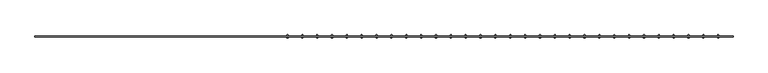
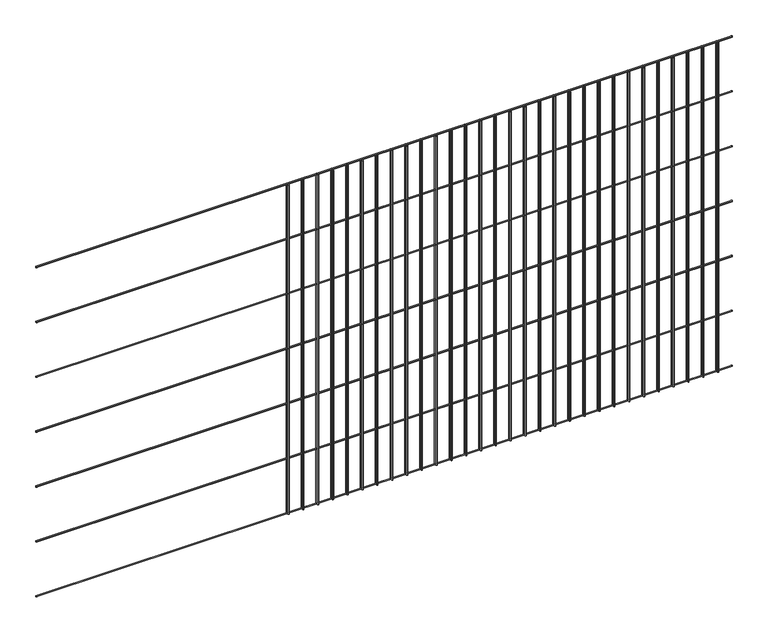
"""IFC4 building model written with IfcOpenShell, lengths in millimetres: railing geometry."""

import ifcopenshell
import ifcopenshell.guid

model = None  # the IFC model being written
_history = None  # IfcOwnerHistory: only IFC2X3 demands one
_inside = {}  # id of a spatial element -> (the spatial element, [elements in it])
_under = {}  # id of a project, library or spatial element -> (it, [spatial elements below it])
_declared = {}  # id of a project -> (the project, [libraries it declares])
_typed = {}  # id of a type object -> (the type object, [elements of that type])
_made_of = {}  # id of a material, layer set ... -> (it, [elements and type objects made of it])


def new_model(schema):
    """Start an empty IFC model of exactly this schema.

    Asked for "IFC4X3", IfcOpenShell would pick the latest addendum, in which some entities
    have other attributes; the version numbers below select the first issue.
    IFC2X3 requires an IfcOwnerHistory on every rooted entity: one is made here for all.
    """
    global model, _history
    if schema == "IFC4X3":
        model = ifcopenshell.file(schema_version=(4, 3, 0, 0))
    else:
        model = ifcopenshell.file(schema=schema)
    _inside.clear()
    _under.clear()
    _declared.clear()
    _typed.clear()
    _made_of.clear()
    _history = None
    if model.schema == "IFC2X3":
        org = make("IfcOrganization", Name="unknown")
        user = make(
            "IfcPersonAndOrganization",
            ThePerson=make("IfcPerson", FamilyName="unknown"),
            TheOrganization=org,
        )
        app = make(
            "IfcApplication",
            ApplicationDeveloper=org,
            Version="unknown",
            ApplicationFullName="unknown",
            ApplicationIdentifier="unknown",
        )
        _history = make(
            "IfcOwnerHistory",
            OwningUser=user,
            OwningApplication=app,
            ChangeAction="ADDED",
            CreationDate=0,
        )
    return model


def make(cls, **values):
    """One entity of the class cls with the attributes given. An attribute that is None is left unset."""
    return model.create_entity(
        cls, **{name: value for name, value in values.items() if value is not None}
    )


def rooted(cls, **values):
    """An entity with a GlobalId (a new one), such as an element, a storey or a relation."""
    return make(cls, GlobalId=ifcopenshell.guid.new(), OwnerHistory=_history, **values)


def si_unit(unit_type, name, prefix=None):
    """IfcSIUnit, for example si_unit("LENGTHUNIT", "METRE", prefix="MILLI")."""
    return make("IfcSIUnit", UnitType=unit_type, Prefix=prefix, Name=name)


def assignment(units):
    """IfcUnitAssignment: the units of a project."""
    return None if units is None else make("IfcUnitAssignment", Units=units)


def point(xyz):
    """IfcCartesianPoint."""
    return None if xyz is None else make("IfcCartesianPoint", Coordinates=xyz)


def direction(xyz):
    """IfcDirection."""
    return None if xyz is None else make("IfcDirection", DirectionRatios=xyz)


def frame(location, z_axis=None, x_axis=None):
    """IfcAxis2Placement3D, a coordinate frame: its origin and axes. An axis left out is left unset."""
    return make(
        "IfcAxis2Placement3D",
        Location=point(location),
        Axis=direction(z_axis),
        RefDirection=direction(x_axis),
    )


def frame_2d(location, x_axis=None):
    """IfcAxis2Placement2D, a coordinate frame in the plane: its origin and x axis."""
    return make(
        "IfcAxis2Placement2D", Location=point(location), RefDirection=direction(x_axis)
    )


def origin():
    """The frame at (0, 0, 0) with its axes left unset."""
    return frame((0.0, 0.0, 0.0))


def place(relative_to, where):
    """IfcLocalPlacement: puts the frame where relative to a parent placement (None: the world)."""
    return make(
        "IfcLocalPlacement", PlacementRelTo=relative_to, RelativePlacement=where
    )


def context(
    kind, dimensions, precision=None, world=None, true_north=None, identifier=None
):
    """IfcGeometricRepresentationContext, for example the 3D "Model" context."""
    return make(
        "IfcGeometricRepresentationContext",
        ContextIdentifier=identifier,
        ContextType=kind,
        CoordinateSpaceDimension=dimensions,
        Precision=precision,
        WorldCoordinateSystem=world,
        TrueNorth=true_north,
    )


def project(units=None, contexts=None):
    """IfcProject with its units and contexts."""
    return rooted(
        "IfcProject",
        Name="project",
        RepresentationContexts=contexts,
        UnitsInContext=assignment(units),
    )


def spatial(cls, under=None, at=None, **own):
    """A site, building, storey or space (cls), placed at a placement, below another one or the project."""
    s = rooted(cls, ObjectPlacement=at, **own)
    if under is not None:
        _under.setdefault(under.id(), (under, []))[1].append(s)
    return s


def circle_curve(where, radius):
    """IfcCircle in the frame where."""
    return make("IfcCircle", Position=where, Radius=radius)


def trimmed(basis, trim1, trim2, sense, master):
    """IfcTrimmedCurve: the piece of a basis curve between two trims."""
    return make(
        "IfcTrimmedCurve",
        BasisCurve=basis,
        Trim1=trim1,
        Trim2=trim2,
        SenseAgreement=sense,
        MasterRepresentation=master,
    )


def segment(curve, same_sense, transition):
    """IfcCompositeCurveSegment."""
    return make(
        "IfcCompositeCurveSegment",
        Transition=transition,
        SameSense=same_sense,
        ParentCurve=curve,
    )


def composite_curve(segments, self_intersect=None):
    """IfcCompositeCurve: segments joined end to end."""
    return make("IfcCompositeCurve", Segments=segments, SelfIntersect=self_intersect)


def outline(outer, holes=None, kind="AREA"):
    """IfcArbitraryClosedProfileDef: a profile drawn as a closed curve; with holes, ...WithVoids."""
    if holes is None:
        return make("IfcArbitraryClosedProfileDef", ProfileType=kind, OuterCurve=outer)
    return make(
        "IfcArbitraryProfileDefWithVoids",
        ProfileType=kind,
        OuterCurve=outer,
        InnerCurves=holes,
    )


def extrude(swept, where, along, depth):
    """IfcExtrudedAreaSolid: the profile swept, set in the frame where, extruded along a direction by depth."""
    return make(
        "IfcExtrudedAreaSolid",
        SweptArea=swept,
        Position=where,
        ExtrudedDirection=direction(along),
        Depth=depth,
    )


def shape(context_of_items, identifier, shape_type, items):
    """IfcShapeRepresentation: the items that make up one representation, for example the "Body"."""
    return make(
        "IfcShapeRepresentation",
        ContextOfItems=context_of_items,
        RepresentationIdentifier=identifier,
        RepresentationType=shape_type,
        Items=items,
    )


def source(mapping_origin, context_of_items, identifier, shape_type, items):
    """IfcRepresentationMap: a shape defined once, which mapped items show again and again."""
    return make(
        "IfcRepresentationMap",
        MappingOrigin=mapping_origin,
        MappedRepresentation=shape(context_of_items, identifier, shape_type, items),
    )


def transform(
    local_origin,
    x_axis=None,
    y_axis=None,
    z_axis=None,
    scale=None,
    scale2=None,
    scale3=None,
    uniform=True,
):
    """IfcCartesianTransformationOperator3D, or its non-uniform kind. x_axis, y_axis, z_axis: its Axis1, 2, 3."""
    if uniform:
        return make(
            "IfcCartesianTransformationOperator3D",
            Axis1=direction(x_axis),
            Axis2=direction(y_axis),
            LocalOrigin=point(local_origin),
            Scale=scale,
            Axis3=direction(z_axis),
        )
    return make(
        "IfcCartesianTransformationOperator3DnonUniform",
        Axis1=direction(x_axis),
        Axis2=direction(y_axis),
        LocalOrigin=point(local_origin),
        Scale=scale,
        Axis3=direction(z_axis),
        Scale2=scale2,
        Scale3=scale3,
    )


def mapped(mapping_source, mapping_target):
    """IfcMappedItem: shows the shape of a source again, moved by a transform."""
    return make(
        "IfcMappedItem", MappingSource=mapping_source, MappingTarget=mapping_target
    )


def made_of(thing, what):
    """Note that an element or type object is made of a material, layer set ...; save() writes the relation."""
    if what is not None:
        _made_of.setdefault(what.id(), (what, []))[1].append(thing)
    return thing


def element(
    cls,
    number,
    at=None,
    inside=None,
    cuts=None,
    type_object=None,
    material=None,
    context=None,
    identifier="Body",
    shape_type=None,
    held_by="IfcProductDefinitionShape",
    body=None,
    shapes=None,
    **own,
):
    """One element of the class cls, such as IfcWall. Its Tag is "e" and its number.

    at: its placement. inside: the storey or other place that contains it. cuts: it is an
    opening in that element (IfcRelVoidsElement). A single representation is given by context,
    identifier, shape_type and body (its items); several are given by shapes. held_by: the class
    of the entity that holds the representations. save() writes the other relations.
    """
    e = rooted(cls, Tag="e%d" % number, ObjectPlacement=at, **own)
    if body is not None:
        shapes = [shape(context, identifier, shape_type, body)]
    if shapes is not None:
        e.Representation = make(held_by, Representations=shapes)
    if inside is not None:
        _inside.setdefault(inside.id(), (inside, []))[1].append(e)
    if cuts is not None:
        rooted(
            "IfcRelVoidsElement", RelatingBuildingElement=cuts, RelatedOpeningElement=e
        )
    if type_object is not None:
        _typed.setdefault(type_object.id(), (type_object, []))[1].append(e)
    return made_of(e, material)


def aggregate(whole, parts):
    """IfcRelAggregates: a whole, such as a stair, and the parts it consists of."""
    return rooted("IfcRelAggregates", RelatingObject=whole, RelatedObjects=parts)


def save(model, path):
    """Write the relations noted so far, then the file.

    IfcRelAggregates (storeys below a building ...), IfcRelContainedInSpatialStructure (elements
    in a storey), IfcRelDefinesByType, IfcRelAssociatesMaterial and IfcRelDeclares: one each for
    every whole, place, type object, material and project.
    """
    for whole, parts in _under.values():
        aggregate(whole, parts)
    for where, things in _inside.values():
        rooted(
            "IfcRelContainedInSpatialStructure",
            RelatedElements=things,
            RelatingStructure=where,
        )
    for kind, things in _typed.values():
        rooted("IfcRelDefinesByType", RelatedObjects=things, RelatingType=kind)
    for what, things in _made_of.values():
        rooted("IfcRelAssociatesMaterial", RelatedObjects=things, RelatingMaterial=what)
    for by, libraries in _declared.values():
        rooted("IfcRelDeclares", RelatingContext=by, RelatedDefinitions=libraries)
    model.write(path)


def railing_5c5979b3(model_context):
    return source(origin(), model_context, "Body", "SweptSolid", [
        extrude(outline(composite_curve([segment(trimmed(circle_curve(frame_2d((639.6639637, 8841.2835937)), 2.0574), [point((641.7213637, 8841.2835937))], [point((637.6065637, 8841.2835937))], False, "CARTESIAN"), True, "CONTINUOUS"), segment(trimmed(circle_curve(frame_2d((639.6639637, 8841.2835937)), 2.0574), [point((637.6065637, 8841.2835937))], [point((641.7213637, 8841.2835937))], False, "CARTESIAN"), True, "CONTINUOUS")], self_intersect=False)), frame((-11285.4581376, 0.0, 0.0), z_axis=(1.0, 0.0, 0.0), x_axis=(0.0, 1.0, 0.0)), (0.0, 0.0, 1.0), 2438.4),
        extrude(outline(composite_curve([segment(trimmed(circle_curve(frame_2d((639.6639637, 8638.0835937)), 2.0574), [point((641.7213637, 8638.0835937))], [point((637.6065637, 8638.0835937))], False, "CARTESIAN"), True, "CONTINUOUS"), segment(trimmed(circle_curve(frame_2d((639.6639637, 8638.0835937)), 2.0574), [point((637.6065637, 8638.0835937))], [point((641.7213637, 8638.0835937))], False, "CARTESIAN"), True, "CONTINUOUS")], self_intersect=False)), frame((-11285.4581376, 0.0, 0.0), z_axis=(1.0, 0.0, 0.0), x_axis=(0.0, 1.0, 0.0)), (0.0, 0.0, 1.0), 2438.4),
        extrude(outline(composite_curve([segment(trimmed(circle_curve(frame_2d((639.6639637, 8434.8835937)), 2.0574), [point((641.7213637, 8434.8835937))], [point((637.6065637, 8434.8835937))], False, "CARTESIAN"), True, "CONTINUOUS"), segment(trimmed(circle_curve(frame_2d((639.6639637, 8434.8835937)), 2.0574), [point((637.6065637, 8434.8835937))], [point((641.7213637, 8434.8835937))], False, "CARTESIAN"), True, "CONTINUOUS")], self_intersect=False)), frame((-11285.4581376, 0.0, 0.0), z_axis=(1.0, 0.0, 0.0), x_axis=(0.0, 1.0, 0.0)), (0.0, 0.0, 1.0), 2438.4),
        extrude(outline(composite_curve([segment(trimmed(circle_curve(frame_2d((639.6639637, 8231.6835937)), 2.0574), [point((641.7213637, 8231.6835937))], [point((637.6065637, 8231.6835937))], False, "CARTESIAN"), True, "CONTINUOUS"), segment(trimmed(circle_curve(frame_2d((639.6639637, 8231.6835937)), 2.0574), [point((637.6065637, 8231.6835937))], [point((641.7213637, 8231.6835937))], False, "CARTESIAN"), True, "CONTINUOUS")], self_intersect=False)), frame((-11285.4581376, 0.0, 0.0), z_axis=(1.0, 0.0, 0.0), x_axis=(0.0, 1.0, 0.0)), (0.0, 0.0, 1.0), 2438.4),
        extrude(outline(composite_curve([segment(trimmed(circle_curve(frame_2d((639.6639637, 8028.4835937)), 2.0574), [point((641.7213637, 8028.4835937))], [point((637.6065637, 8028.4835937))], False, "CARTESIAN"), True, "CONTINUOUS"), segment(trimmed(circle_curve(frame_2d((639.6639637, 8028.4835937)), 2.0574), [point((637.6065637, 8028.4835937))], [point((641.7213637, 8028.4835937))], False, "CARTESIAN"), True, "CONTINUOUS")], self_intersect=False)), frame((-11285.4581376, 0.0, 0.0), z_axis=(1.0, 0.0, 0.0), x_axis=(0.0, 1.0, 0.0)), (0.0, 0.0, 1.0), 2438.4),
        extrude(outline(composite_curve([segment(trimmed(circle_curve(frame_2d((639.6639637, 7825.2835937)), 2.0574), [point((641.7213637, 7825.2835937))], [point((637.6065637, 7825.2835937))], False, "CARTESIAN"), True, "CONTINUOUS"), segment(trimmed(circle_curve(frame_2d((639.6639637, 7825.2835937)), 2.0574), [point((637.6065637, 7825.2835937))], [point((641.7213637, 7825.2835937))], False, "CARTESIAN"), True, "CONTINUOUS")], self_intersect=False)), frame((-11285.4581376, 0.0, 0.0), z_axis=(1.0, 0.0, 0.0), x_axis=(0.0, 1.0, 0.0)), (0.0, 0.0, 1.0), 2438.4),
        extrude(outline(composite_curve([segment(trimmed(circle_curve(frame_2d((639.6639637, 7622.0835937)), 2.0574), [point((641.7213637, 7622.0835937))], [point((637.6065637, 7622.0835937))], False, "CARTESIAN"), True, "CONTINUOUS"), segment(trimmed(circle_curve(frame_2d((639.6639637, 7622.0835937)), 2.0574), [point((637.6065637, 7622.0835937))], [point((641.7213637, 7622.0835937))], False, "CARTESIAN"), True, "CONTINUOUS")], self_intersect=False)), frame((-11285.4581376, 0.0, 0.0), z_axis=(1.0, 0.0, 0.0), x_axis=(0.0, 1.0, 0.0)), (0.0, 0.0, 1.0), 2438.4),
        extrude(outline(composite_curve([segment(trimmed(circle_curve(frame_2d((-8898.9389887, 643.7787637)), 2.0574), [point((-8898.9389887, 641.7213637))], [point((-8898.9389887, 645.8361637))], False, "CARTESIAN"), True, "CONTINUOUS"), segment(trimmed(circle_curve(frame_2d((-8898.9389887, 643.7787637)), 2.0574), [point((-8898.9389887, 645.8361637))], [point((-8898.9389887, 641.7213637))], False, "CARTESIAN"), True, "CONTINUOUS")], self_intersect=False)), frame((0.0, 0.0, 7620.0), z_axis=(0.0, 0.0, 1.0), x_axis=(1.0, 0.0, 0.0)), (0.0, 0.0, 1.0), 1219.2),
        extrude(outline(composite_curve([segment(trimmed(circle_curve(frame_2d((-8898.9389887, 635.5491637)), 2.0574), [point((-8898.9389887, 637.6065637))], [point((-8898.9389887, 633.4917637))], False, "CARTESIAN"), True, "CONTINUOUS"), segment(trimmed(circle_curve(frame_2d((-8898.9389887, 635.5491637)), 2.0574), [point((-8898.9389887, 633.4917637))], [point((-8898.9389887, 637.6065637))], False, "CARTESIAN"), True, "CONTINUOUS")], self_intersect=False)), frame((0.0, 0.0, 7620.0), z_axis=(0.0, 0.0, 1.0), x_axis=(1.0, 0.0, 0.0)), (0.0, 0.0, 1.0), 1219.2),
        extrude(outline(composite_curve([segment(trimmed(circle_curve(frame_2d((-8950.8198397, 643.7787637)), 2.0574), [point((-8950.8198397, 641.7213637))], [point((-8950.8198397, 645.8361637))], False, "CARTESIAN"), True, "CONTINUOUS"), segment(trimmed(circle_curve(frame_2d((-8950.8198397, 643.7787637)), 2.0574), [point((-8950.8198397, 645.8361637))], [point((-8950.8198397, 641.7213637))], False, "CARTESIAN"), True, "CONTINUOUS")], self_intersect=False)), frame((0.0, 0.0, 7620.0), z_axis=(0.0, 0.0, 1.0), x_axis=(1.0, 0.0, 0.0)), (0.0, 0.0, 1.0), 1219.2),
        extrude(outline(composite_curve([segment(trimmed(circle_curve(frame_2d((-8950.8198397, 635.5491637)), 2.0574), [point((-8950.8198397, 637.6065637))], [point((-8950.8198397, 633.4917637))], False, "CARTESIAN"), True, "CONTINUOUS"), segment(trimmed(circle_curve(frame_2d((-8950.8198397, 635.5491637)), 2.0574), [point((-8950.8198397, 633.4917637))], [point((-8950.8198397, 637.6065637))], False, "CARTESIAN"), True, "CONTINUOUS")], self_intersect=False)), frame((0.0, 0.0, 7620.0), z_axis=(0.0, 0.0, 1.0), x_axis=(1.0, 0.0, 0.0)), (0.0, 0.0, 1.0), 1219.2),
        extrude(outline(composite_curve([segment(trimmed(circle_curve(frame_2d((-9002.7006908, 643.7787637)), 2.0574), [point((-9002.7006908, 641.7213637))], [point((-9002.7006908, 645.8361637))], False, "CARTESIAN"), True, "CONTINUOUS"), segment(trimmed(circle_curve(frame_2d((-9002.7006908, 643.7787637)), 2.0574), [point((-9002.7006908, 645.8361637))], [point((-9002.7006908, 641.7213637))], False, "CARTESIAN"), True, "CONTINUOUS")], self_intersect=False)), frame((0.0, 0.0, 7620.0), z_axis=(0.0, 0.0, 1.0), x_axis=(1.0, 0.0, 0.0)), (0.0, 0.0, 1.0), 1219.2),
        extrude(outline(composite_curve([segment(trimmed(circle_curve(frame_2d((-9002.7006908, 635.5491637)), 2.0574), [point((-9002.7006908, 637.6065637))], [point((-9002.7006908, 633.4917637))], False, "CARTESIAN"), True, "CONTINUOUS"), segment(trimmed(circle_curve(frame_2d((-9002.7006908, 635.5491637)), 2.0574), [point((-9002.7006908, 633.4917637))], [point((-9002.7006908, 637.6065637))], False, "CARTESIAN"), True, "CONTINUOUS")], self_intersect=False)), frame((0.0, 0.0, 7620.0), z_axis=(0.0, 0.0, 1.0), x_axis=(1.0, 0.0, 0.0)), (0.0, 0.0, 1.0), 1219.2),
        extrude(outline(composite_curve([segment(trimmed(circle_curve(frame_2d((-9054.5815419, 643.7787637)), 2.0574), [point((-9054.5815419, 641.7213637))], [point((-9054.5815419, 645.8361637))], False, "CARTESIAN"), True, "CONTINUOUS"), segment(trimmed(circle_curve(frame_2d((-9054.5815419, 643.7787637)), 2.0574), [point((-9054.5815419, 645.8361637))], [point((-9054.5815419, 641.7213637))], False, "CARTESIAN"), True, "CONTINUOUS")], self_intersect=False)), frame((0.0, 0.0, 7620.0), z_axis=(0.0, 0.0, 1.0), x_axis=(1.0, 0.0, 0.0)), (0.0, 0.0, 1.0), 1219.2),
        extrude(outline(composite_curve([segment(trimmed(circle_curve(frame_2d((-9054.5815419, 635.5491637)), 2.0574), [point((-9054.5815419, 637.6065637))], [point((-9054.5815419, 633.4917637))], False, "CARTESIAN"), True, "CONTINUOUS"), segment(trimmed(circle_curve(frame_2d((-9054.5815419, 635.5491637)), 2.0574), [point((-9054.5815419, 633.4917637))], [point((-9054.5815419, 637.6065637))], False, "CARTESIAN"), True, "CONTINUOUS")], self_intersect=False)), frame((0.0, 0.0, 7620.0), z_axis=(0.0, 0.0, 1.0), x_axis=(1.0, 0.0, 0.0)), (0.0, 0.0, 1.0), 1219.2),
        extrude(outline(composite_curve([segment(trimmed(circle_curve(frame_2d((-9106.4623929, 643.7787637)), 2.0574), [point((-9106.4623929, 641.7213637))], [point((-9106.4623929, 645.8361637))], False, "CARTESIAN"), True, "CONTINUOUS"), segment(trimmed(circle_curve(frame_2d((-9106.4623929, 643.7787637)), 2.0574), [point((-9106.4623929, 645.8361637))], [point((-9106.4623929, 641.7213637))], False, "CARTESIAN"), True, "CONTINUOUS")], self_intersect=False)), frame((0.0, 0.0, 7620.0), z_axis=(0.0, 0.0, 1.0), x_axis=(1.0, 0.0, 0.0)), (0.0, 0.0, 1.0), 1219.2),
        extrude(outline(composite_curve([segment(trimmed(circle_curve(frame_2d((-9106.4623929, 635.5491637)), 2.0574), [point((-9106.4623929, 637.6065637))], [point((-9106.4623929, 633.4917637))], False, "CARTESIAN"), True, "CONTINUOUS"), segment(trimmed(circle_curve(frame_2d((-9106.4623929, 635.5491637)), 2.0574), [point((-9106.4623929, 633.4917637))], [point((-9106.4623929, 637.6065637))], False, "CARTESIAN"), True, "CONTINUOUS")], self_intersect=False)), frame((0.0, 0.0, 7620.0), z_axis=(0.0, 0.0, 1.0), x_axis=(1.0, 0.0, 0.0)), (0.0, 0.0, 1.0), 1219.2),
        extrude(outline(composite_curve([segment(trimmed(circle_curve(frame_2d((-9158.343244, 643.7787637)), 2.0574), [point((-9158.343244, 641.7213637))], [point((-9158.343244, 645.8361637))], False, "CARTESIAN"), True, "CONTINUOUS"), segment(trimmed(circle_curve(frame_2d((-9158.343244, 643.7787637)), 2.0574), [point((-9158.343244, 645.8361637))], [point((-9158.343244, 641.7213637))], False, "CARTESIAN"), True, "CONTINUOUS")], self_intersect=False)), frame((0.0, 0.0, 7620.0), z_axis=(0.0, 0.0, 1.0), x_axis=(1.0, 0.0, 0.0)), (0.0, 0.0, 1.0), 1219.2),
        extrude(outline(composite_curve([segment(trimmed(circle_curve(frame_2d((-9158.343244, 635.5491637)), 2.0574), [point((-9158.343244, 637.6065637))], [point((-9158.343244, 633.4917637))], False, "CARTESIAN"), True, "CONTINUOUS"), segment(trimmed(circle_curve(frame_2d((-9158.343244, 635.5491637)), 2.0574), [point((-9158.343244, 633.4917637))], [point((-9158.343244, 637.6065637))], False, "CARTESIAN"), True, "CONTINUOUS")], self_intersect=False)), frame((0.0, 0.0, 7620.0), z_axis=(0.0, 0.0, 1.0), x_axis=(1.0, 0.0, 0.0)), (0.0, 0.0, 1.0), 1219.2),
        extrude(outline(composite_curve([segment(trimmed(circle_curve(frame_2d((-9210.2240951, 643.7787637)), 2.0574), [point((-9210.2240951, 641.7213637))], [point((-9210.2240951, 645.8361637))], False, "CARTESIAN"), True, "CONTINUOUS"), segment(trimmed(circle_curve(frame_2d((-9210.2240951, 643.7787637)), 2.0574), [point((-9210.2240951, 645.8361637))], [point((-9210.2240951, 641.7213637))], False, "CARTESIAN"), True, "CONTINUOUS")], self_intersect=False)), frame((0.0, 0.0, 7620.0), z_axis=(0.0, 0.0, 1.0), x_axis=(1.0, 0.0, 0.0)), (0.0, 0.0, 1.0), 1219.2),
        extrude(outline(composite_curve([segment(trimmed(circle_curve(frame_2d((-9210.2240951, 635.5491637)), 2.0574), [point((-9210.2240951, 637.6065637))], [point((-9210.2240951, 633.4917637))], False, "CARTESIAN"), True, "CONTINUOUS"), segment(trimmed(circle_curve(frame_2d((-9210.2240951, 635.5491637)), 2.0574), [point((-9210.2240951, 633.4917637))], [point((-9210.2240951, 637.6065637))], False, "CARTESIAN"), True, "CONTINUOUS")], self_intersect=False)), frame((0.0, 0.0, 7620.0), z_axis=(0.0, 0.0, 1.0), x_axis=(1.0, 0.0, 0.0)), (0.0, 0.0, 1.0), 1219.2),
        extrude(outline(composite_curve([segment(trimmed(circle_curve(frame_2d((-9262.1049461, 643.7787637)), 2.0574), [point((-9262.1049461, 641.7213637))], [point((-9262.1049461, 645.8361637))], False, "CARTESIAN"), True, "CONTINUOUS"), segment(trimmed(circle_curve(frame_2d((-9262.1049461, 643.7787637)), 2.0574), [point((-9262.1049461, 645.8361637))], [point((-9262.1049461, 641.7213637))], False, "CARTESIAN"), True, "CONTINUOUS")], self_intersect=False)), frame((0.0, 0.0, 7620.0), z_axis=(0.0, 0.0, 1.0), x_axis=(1.0, 0.0, 0.0)), (0.0, 0.0, 1.0), 1219.2),
        extrude(outline(composite_curve([segment(trimmed(circle_curve(frame_2d((-9262.1049461, 635.5491637)), 2.0574), [point((-9262.1049461, 637.6065637))], [point((-9262.1049461, 633.4917637))], False, "CARTESIAN"), True, "CONTINUOUS"), segment(trimmed(circle_curve(frame_2d((-9262.1049461, 635.5491637)), 2.0574), [point((-9262.1049461, 633.4917637))], [point((-9262.1049461, 637.6065637))], False, "CARTESIAN"), True, "CONTINUOUS")], self_intersect=False)), frame((0.0, 0.0, 7620.0), z_axis=(0.0, 0.0, 1.0), x_axis=(1.0, 0.0, 0.0)), (0.0, 0.0, 1.0), 1219.2),
        extrude(outline(composite_curve([segment(trimmed(circle_curve(frame_2d((-9313.9857972, 643.7787637)), 2.0574), [point((-9313.9857972, 641.7213637))], [point((-9313.9857972, 645.8361637))], False, "CARTESIAN"), True, "CONTINUOUS"), segment(trimmed(circle_curve(frame_2d((-9313.9857972, 643.7787637)), 2.0574), [point((-9313.9857972, 645.8361637))], [point((-9313.9857972, 641.7213637))], False, "CARTESIAN"), True, "CONTINUOUS")], self_intersect=False)), frame((0.0, 0.0, 7620.0), z_axis=(0.0, 0.0, 1.0), x_axis=(1.0, 0.0, 0.0)), (0.0, 0.0, 1.0), 1219.2),
        extrude(outline(composite_curve([segment(trimmed(circle_curve(frame_2d((-9313.9857972, 635.5491637)), 2.0574), [point((-9313.9857972, 637.6065637))], [point((-9313.9857972, 633.4917637))], False, "CARTESIAN"), True, "CONTINUOUS"), segment(trimmed(circle_curve(frame_2d((-9313.9857972, 635.5491637)), 2.0574), [point((-9313.9857972, 633.4917637))], [point((-9313.9857972, 637.6065637))], False, "CARTESIAN"), True, "CONTINUOUS")], self_intersect=False)), frame((0.0, 0.0, 7620.0), z_axis=(0.0, 0.0, 1.0), x_axis=(1.0, 0.0, 0.0)), (0.0, 0.0, 1.0), 1219.2),
        extrude(outline(composite_curve([segment(trimmed(circle_curve(frame_2d((-9365.8666482, 643.7787637)), 2.0574), [point((-9365.8666482, 641.7213637))], [point((-9365.8666482, 645.8361637))], False, "CARTESIAN"), True, "CONTINUOUS"), segment(trimmed(circle_curve(frame_2d((-9365.8666482, 643.7787637)), 2.0574), [point((-9365.8666482, 645.8361637))], [point((-9365.8666482, 641.7213637))], False, "CARTESIAN"), True, "CONTINUOUS")], self_intersect=False)), frame((0.0, 0.0, 7620.0), z_axis=(0.0, 0.0, 1.0), x_axis=(1.0, 0.0, 0.0)), (0.0, 0.0, 1.0), 1219.2),
        extrude(outline(composite_curve([segment(trimmed(circle_curve(frame_2d((-9365.8666482, 635.5491637)), 2.0574), [point((-9365.8666482, 637.6065637))], [point((-9365.8666482, 633.4917637))], False, "CARTESIAN"), True, "CONTINUOUS"), segment(trimmed(circle_curve(frame_2d((-9365.8666482, 635.5491637)), 2.0574), [point((-9365.8666482, 633.4917637))], [point((-9365.8666482, 637.6065637))], False, "CARTESIAN"), True, "CONTINUOUS")], self_intersect=False)), frame((0.0, 0.0, 7620.0), z_axis=(0.0, 0.0, 1.0), x_axis=(1.0, 0.0, 0.0)), (0.0, 0.0, 1.0), 1219.2),
        extrude(outline(composite_curve([segment(trimmed(circle_curve(frame_2d((-9417.7474993, 643.7787637)), 2.0574), [point((-9417.7474993, 641.7213637))], [point((-9417.7474993, 645.8361637))], False, "CARTESIAN"), True, "CONTINUOUS"), segment(trimmed(circle_curve(frame_2d((-9417.7474993, 643.7787637)), 2.0574), [point((-9417.7474993, 645.8361637))], [point((-9417.7474993, 641.7213637))], False, "CARTESIAN"), True, "CONTINUOUS")], self_intersect=False)), frame((0.0, 0.0, 7620.0), z_axis=(0.0, 0.0, 1.0), x_axis=(1.0, 0.0, 0.0)), (0.0, 0.0, 1.0), 1219.2),
        extrude(outline(composite_curve([segment(trimmed(circle_curve(frame_2d((-9417.7474993, 635.5491637)), 2.0574), [point((-9417.7474993, 637.6065637))], [point((-9417.7474993, 633.4917637))], False, "CARTESIAN"), True, "CONTINUOUS"), segment(trimmed(circle_curve(frame_2d((-9417.7474993, 635.5491637)), 2.0574), [point((-9417.7474993, 633.4917637))], [point((-9417.7474993, 637.6065637))], False, "CARTESIAN"), True, "CONTINUOUS")], self_intersect=False)), frame((0.0, 0.0, 7620.0), z_axis=(0.0, 0.0, 1.0), x_axis=(1.0, 0.0, 0.0)), (0.0, 0.0, 1.0), 1219.2),
        extrude(outline(composite_curve([segment(trimmed(circle_curve(frame_2d((-9469.6283504, 643.7787637)), 2.0574), [point((-9469.6283504, 641.7213637))], [point((-9469.6283504, 645.8361637))], False, "CARTESIAN"), True, "CONTINUOUS"), segment(trimmed(circle_curve(frame_2d((-9469.6283504, 643.7787637)), 2.0574), [point((-9469.6283504, 645.8361637))], [point((-9469.6283504, 641.7213637))], False, "CARTESIAN"), True, "CONTINUOUS")], self_intersect=False)), frame((0.0, 0.0, 7620.0), z_axis=(0.0, 0.0, 1.0), x_axis=(1.0, 0.0, 0.0)), (0.0, 0.0, 1.0), 1219.2),
        extrude(outline(composite_curve([segment(trimmed(circle_curve(frame_2d((-9469.6283504, 635.5491637)), 2.0574), [point((-9469.6283504, 637.6065637))], [point((-9469.6283504, 633.4917637))], False, "CARTESIAN"), True, "CONTINUOUS"), segment(trimmed(circle_curve(frame_2d((-9469.6283504, 635.5491637)), 2.0574), [point((-9469.6283504, 633.4917637))], [point((-9469.6283504, 637.6065637))], False, "CARTESIAN"), True, "CONTINUOUS")], self_intersect=False)), frame((0.0, 0.0, 7620.0), z_axis=(0.0, 0.0, 1.0), x_axis=(1.0, 0.0, 0.0)), (0.0, 0.0, 1.0), 1219.2),
        extrude(outline(composite_curve([segment(trimmed(circle_curve(frame_2d((-9521.5092014, 643.7787637)), 2.0574), [point((-9521.5092014, 641.7213637))], [point((-9521.5092014, 645.8361637))], False, "CARTESIAN"), True, "CONTINUOUS"), segment(trimmed(circle_curve(frame_2d((-9521.5092014, 643.7787637)), 2.0574), [point((-9521.5092014, 645.8361637))], [point((-9521.5092014, 641.7213637))], False, "CARTESIAN"), True, "CONTINUOUS")], self_intersect=False)), frame((0.0, 0.0, 7620.0), z_axis=(0.0, 0.0, 1.0), x_axis=(1.0, 0.0, 0.0)), (0.0, 0.0, 1.0), 1219.2),
        extrude(outline(composite_curve([segment(trimmed(circle_curve(frame_2d((-9521.5092014, 635.5491637)), 2.0574), [point((-9521.5092014, 637.6065637))], [point((-9521.5092014, 633.4917637))], False, "CARTESIAN"), True, "CONTINUOUS"), segment(trimmed(circle_curve(frame_2d((-9521.5092014, 635.5491637)), 2.0574), [point((-9521.5092014, 633.4917637))], [point((-9521.5092014, 637.6065637))], False, "CARTESIAN"), True, "CONTINUOUS")], self_intersect=False)), frame((0.0, 0.0, 7620.0), z_axis=(0.0, 0.0, 1.0), x_axis=(1.0, 0.0, 0.0)), (0.0, 0.0, 1.0), 1219.2),
        extrude(outline(composite_curve([segment(trimmed(circle_curve(frame_2d((-9573.3900525, 643.7787637)), 2.0574), [point((-9573.3900525, 641.7213637))], [point((-9573.3900525, 645.8361637))], False, "CARTESIAN"), True, "CONTINUOUS"), segment(trimmed(circle_curve(frame_2d((-9573.3900525, 643.7787637)), 2.0574), [point((-9573.3900525, 645.8361637))], [point((-9573.3900525, 641.7213637))], False, "CARTESIAN"), True, "CONTINUOUS")], self_intersect=False)), frame((0.0, 0.0, 7620.0), z_axis=(0.0, 0.0, 1.0), x_axis=(1.0, 0.0, 0.0)), (0.0, 0.0, 1.0), 1219.2),
        extrude(outline(composite_curve([segment(trimmed(circle_curve(frame_2d((-9573.3900525, 635.5491637)), 2.0574), [point((-9573.3900525, 637.6065637))], [point((-9573.3900525, 633.4917637))], False, "CARTESIAN"), True, "CONTINUOUS"), segment(trimmed(circle_curve(frame_2d((-9573.3900525, 635.5491637)), 2.0574), [point((-9573.3900525, 633.4917637))], [point((-9573.3900525, 637.6065637))], False, "CARTESIAN"), True, "CONTINUOUS")], self_intersect=False)), frame((0.0, 0.0, 7620.0), z_axis=(0.0, 0.0, 1.0), x_axis=(1.0, 0.0, 0.0)), (0.0, 0.0, 1.0), 1219.2),
        extrude(outline(composite_curve([segment(trimmed(circle_curve(frame_2d((-9625.2709036, 643.7787637)), 2.0574), [point((-9625.2709036, 641.7213637))], [point((-9625.2709036, 645.8361637))], False, "CARTESIAN"), True, "CONTINUOUS"), segment(trimmed(circle_curve(frame_2d((-9625.2709036, 643.7787637)), 2.0574), [point((-9625.2709036, 645.8361637))], [point((-9625.2709036, 641.7213637))], False, "CARTESIAN"), True, "CONTINUOUS")], self_intersect=False)), frame((0.0, 0.0, 7620.0), z_axis=(0.0, 0.0, 1.0), x_axis=(1.0, 0.0, 0.0)), (0.0, 0.0, 1.0), 1219.2),
        extrude(outline(composite_curve([segment(trimmed(circle_curve(frame_2d((-9625.2709036, 635.5491637)), 2.0574), [point((-9625.2709036, 637.6065637))], [point((-9625.2709036, 633.4917637))], False, "CARTESIAN"), True, "CONTINUOUS"), segment(trimmed(circle_curve(frame_2d((-9625.2709036, 635.5491637)), 2.0574), [point((-9625.2709036, 633.4917637))], [point((-9625.2709036, 637.6065637))], False, "CARTESIAN"), True, "CONTINUOUS")], self_intersect=False)), frame((0.0, 0.0, 7620.0), z_axis=(0.0, 0.0, 1.0), x_axis=(1.0, 0.0, 0.0)), (0.0, 0.0, 1.0), 1219.2),
        extrude(outline(composite_curve([segment(trimmed(circle_curve(frame_2d((-9677.1517546, 643.7787637)), 2.0574), [point((-9677.1517546, 641.7213637))], [point((-9677.1517546, 645.8361637))], False, "CARTESIAN"), True, "CONTINUOUS"), segment(trimmed(circle_curve(frame_2d((-9677.1517546, 643.7787637)), 2.0574), [point((-9677.1517546, 645.8361637))], [point((-9677.1517546, 641.7213637))], False, "CARTESIAN"), True, "CONTINUOUS")], self_intersect=False)), frame((0.0, 0.0, 7620.0), z_axis=(0.0, 0.0, 1.0), x_axis=(1.0, 0.0, 0.0)), (0.0, 0.0, 1.0), 1219.2),
        extrude(outline(composite_curve([segment(trimmed(circle_curve(frame_2d((-9677.1517546, 635.5491637)), 2.0574), [point((-9677.1517546, 637.6065637))], [point((-9677.1517546, 633.4917637))], False, "CARTESIAN"), True, "CONTINUOUS"), segment(trimmed(circle_curve(frame_2d((-9677.1517546, 635.5491637)), 2.0574), [point((-9677.1517546, 633.4917637))], [point((-9677.1517546, 637.6065637))], False, "CARTESIAN"), True, "CONTINUOUS")], self_intersect=False)), frame((0.0, 0.0, 7620.0), z_axis=(0.0, 0.0, 1.0), x_axis=(1.0, 0.0, 0.0)), (0.0, 0.0, 1.0), 1219.2),
        extrude(outline(composite_curve([segment(trimmed(circle_curve(frame_2d((-9729.0326057, 643.7787637)), 2.0574), [point((-9729.0326057, 641.7213637))], [point((-9729.0326057, 645.8361637))], False, "CARTESIAN"), True, "CONTINUOUS"), segment(trimmed(circle_curve(frame_2d((-9729.0326057, 643.7787637)), 2.0574), [point((-9729.0326057, 645.8361637))], [point((-9729.0326057, 641.7213637))], False, "CARTESIAN"), True, "CONTINUOUS")], self_intersect=False)), frame((0.0, 0.0, 7620.0), z_axis=(0.0, 0.0, 1.0), x_axis=(1.0, 0.0, 0.0)), (0.0, 0.0, 1.0), 1219.2),
        extrude(outline(composite_curve([segment(trimmed(circle_curve(frame_2d((-9729.0326057, 635.5491637)), 2.0574), [point((-9729.0326057, 637.6065637))], [point((-9729.0326057, 633.4917637))], False, "CARTESIAN"), True, "CONTINUOUS"), segment(trimmed(circle_curve(frame_2d((-9729.0326057, 635.5491637)), 2.0574), [point((-9729.0326057, 633.4917637))], [point((-9729.0326057, 637.6065637))], False, "CARTESIAN"), True, "CONTINUOUS")], self_intersect=False)), frame((0.0, 0.0, 7620.0), z_axis=(0.0, 0.0, 1.0), x_axis=(1.0, 0.0, 0.0)), (0.0, 0.0, 1.0), 1219.2),
        extrude(outline(composite_curve([segment(trimmed(circle_curve(frame_2d((-9780.9134568, 643.7787637)), 2.0574), [point((-9780.9134568, 641.7213637))], [point((-9780.9134568, 645.8361637))], False, "CARTESIAN"), True, "CONTINUOUS"), segment(trimmed(circle_curve(frame_2d((-9780.9134568, 643.7787637)), 2.0574), [point((-9780.9134568, 645.8361637))], [point((-9780.9134568, 641.7213637))], False, "CARTESIAN"), True, "CONTINUOUS")], self_intersect=False)), frame((0.0, 0.0, 7620.0), z_axis=(0.0, 0.0, 1.0), x_axis=(1.0, 0.0, 0.0)), (0.0, 0.0, 1.0), 1219.2),
        extrude(outline(composite_curve([segment(trimmed(circle_curve(frame_2d((-9780.9134568, 635.5491637)), 2.0574), [point((-9780.9134568, 637.6065637))], [point((-9780.9134568, 633.4917637))], False, "CARTESIAN"), True, "CONTINUOUS"), segment(trimmed(circle_curve(frame_2d((-9780.9134568, 635.5491637)), 2.0574), [point((-9780.9134568, 633.4917637))], [point((-9780.9134568, 637.6065637))], False, "CARTESIAN"), True, "CONTINUOUS")], self_intersect=False)), frame((0.0, 0.0, 7620.0), z_axis=(0.0, 0.0, 1.0), x_axis=(1.0, 0.0, 0.0)), (0.0, 0.0, 1.0), 1219.2),
        extrude(outline(composite_curve([segment(trimmed(circle_curve(frame_2d((-9832.7943078, 643.7787637)), 2.0574), [point((-9832.7943078, 641.7213637))], [point((-9832.7943078, 645.8361637))], False, "CARTESIAN"), True, "CONTINUOUS"), segment(trimmed(circle_curve(frame_2d((-9832.7943078, 643.7787637)), 2.0574), [point((-9832.7943078, 645.8361637))], [point((-9832.7943078, 641.7213637))], False, "CARTESIAN"), True, "CONTINUOUS")], self_intersect=False)), frame((0.0, 0.0, 7620.0), z_axis=(0.0, 0.0, 1.0), x_axis=(1.0, 0.0, 0.0)), (0.0, 0.0, 1.0), 1219.2),
        extrude(outline(composite_curve([segment(trimmed(circle_curve(frame_2d((-9832.7943078, 635.5491637)), 2.0574), [point((-9832.7943078, 637.6065637))], [point((-9832.7943078, 633.4917637))], False, "CARTESIAN"), True, "CONTINUOUS"), segment(trimmed(circle_curve(frame_2d((-9832.7943078, 635.5491637)), 2.0574), [point((-9832.7943078, 633.4917637))], [point((-9832.7943078, 637.6065637))], False, "CARTESIAN"), True, "CONTINUOUS")], self_intersect=False)), frame((0.0, 0.0, 7620.0), z_axis=(0.0, 0.0, 1.0), x_axis=(1.0, 0.0, 0.0)), (0.0, 0.0, 1.0), 1219.2),
        extrude(outline(composite_curve([segment(trimmed(circle_curve(frame_2d((-9884.6751589, 643.7787637)), 2.0574), [point((-9884.6751589, 641.7213637))], [point((-9884.6751589, 645.8361637))], False, "CARTESIAN"), True, "CONTINUOUS"), segment(trimmed(circle_curve(frame_2d((-9884.6751589, 643.7787637)), 2.0574), [point((-9884.6751589, 645.8361637))], [point((-9884.6751589, 641.7213637))], False, "CARTESIAN"), True, "CONTINUOUS")], self_intersect=False)), frame((0.0, 0.0, 7620.0), z_axis=(0.0, 0.0, 1.0), x_axis=(1.0, 0.0, 0.0)), (0.0, 0.0, 1.0), 1219.2),
        extrude(outline(composite_curve([segment(trimmed(circle_curve(frame_2d((-9884.6751589, 635.5491637)), 2.0574), [point((-9884.6751589, 637.6065637))], [point((-9884.6751589, 633.4917637))], False, "CARTESIAN"), True, "CONTINUOUS"), segment(trimmed(circle_curve(frame_2d((-9884.6751589, 635.5491637)), 2.0574), [point((-9884.6751589, 633.4917637))], [point((-9884.6751589, 637.6065637))], False, "CARTESIAN"), True, "CONTINUOUS")], self_intersect=False)), frame((0.0, 0.0, 7620.0), z_axis=(0.0, 0.0, 1.0), x_axis=(1.0, 0.0, 0.0)), (0.0, 0.0, 1.0), 1219.2),
        extrude(outline(composite_curve([segment(trimmed(circle_curve(frame_2d((-9936.55601, 643.7787637)), 2.0574), [point((-9936.55601, 641.7213637))], [point((-9936.55601, 645.8361637))], False, "CARTESIAN"), True, "CONTINUOUS"), segment(trimmed(circle_curve(frame_2d((-9936.55601, 643.7787637)), 2.0574), [point((-9936.55601, 645.8361637))], [point((-9936.55601, 641.7213637))], False, "CARTESIAN"), True, "CONTINUOUS")], self_intersect=False)), frame((0.0, 0.0, 7620.0), z_axis=(0.0, 0.0, 1.0), x_axis=(1.0, 0.0, 0.0)), (0.0, 0.0, 1.0), 1219.2),
        extrude(outline(composite_curve([segment(trimmed(circle_curve(frame_2d((-9936.55601, 635.5491637)), 2.0574), [point((-9936.55601, 637.6065637))], [point((-9936.55601, 633.4917637))], False, "CARTESIAN"), True, "CONTINUOUS"), segment(trimmed(circle_curve(frame_2d((-9936.55601, 635.5491637)), 2.0574), [point((-9936.55601, 633.4917637))], [point((-9936.55601, 637.6065637))], False, "CARTESIAN"), True, "CONTINUOUS")], self_intersect=False)), frame((0.0, 0.0, 7620.0), z_axis=(0.0, 0.0, 1.0), x_axis=(1.0, 0.0, 0.0)), (0.0, 0.0, 1.0), 1219.2),
        extrude(outline(composite_curve([segment(trimmed(circle_curve(frame_2d((-9988.436861, 643.7787637)), 2.0574), [point((-9988.436861, 641.7213637))], [point((-9988.436861, 645.8361637))], False, "CARTESIAN"), True, "CONTINUOUS"), segment(trimmed(circle_curve(frame_2d((-9988.436861, 643.7787637)), 2.0574), [point((-9988.436861, 645.8361637))], [point((-9988.436861, 641.7213637))], False, "CARTESIAN"), True, "CONTINUOUS")], self_intersect=False)), frame((0.0, 0.0, 7620.0), z_axis=(0.0, 0.0, 1.0), x_axis=(1.0, 0.0, 0.0)), (0.0, 0.0, 1.0), 1219.2),
        extrude(outline(composite_curve([segment(trimmed(circle_curve(frame_2d((-9988.436861, 635.5491637)), 2.0574), [point((-9988.436861, 637.6065637))], [point((-9988.436861, 633.4917637))], False, "CARTESIAN"), True, "CONTINUOUS"), segment(trimmed(circle_curve(frame_2d((-9988.436861, 635.5491637)), 2.0574), [point((-9988.436861, 633.4917637))], [point((-9988.436861, 637.6065637))], False, "CARTESIAN"), True, "CONTINUOUS")], self_intersect=False)), frame((0.0, 0.0, 7620.0), z_axis=(0.0, 0.0, 1.0), x_axis=(1.0, 0.0, 0.0)), (0.0, 0.0, 1.0), 1219.2),
        extrude(outline(composite_curve([segment(trimmed(circle_curve(frame_2d((-10040.3177121, 643.7787637)), 2.0574), [point((-10040.3177121, 641.7213637))], [point((-10040.3177121, 645.8361637))], False, "CARTESIAN"), True, "CONTINUOUS"), segment(trimmed(circle_curve(frame_2d((-10040.3177121, 643.7787637)), 2.0574), [point((-10040.3177121, 645.8361637))], [point((-10040.3177121, 641.7213637))], False, "CARTESIAN"), True, "CONTINUOUS")], self_intersect=False)), frame((0.0, 0.0, 7620.0), z_axis=(0.0, 0.0, 1.0), x_axis=(1.0, 0.0, 0.0)), (0.0, 0.0, 1.0), 1219.2),
        extrude(outline(composite_curve([segment(trimmed(circle_curve(frame_2d((-10040.3177121, 635.5491637)), 2.0574), [point((-10040.3177121, 637.6065637))], [point((-10040.3177121, 633.4917637))], False, "CARTESIAN"), True, "CONTINUOUS"), segment(trimmed(circle_curve(frame_2d((-10040.3177121, 635.5491637)), 2.0574), [point((-10040.3177121, 633.4917637))], [point((-10040.3177121, 637.6065637))], False, "CARTESIAN"), True, "CONTINUOUS")], self_intersect=False)), frame((0.0, 0.0, 7620.0), z_axis=(0.0, 0.0, 1.0), x_axis=(1.0, 0.0, 0.0)), (0.0, 0.0, 1.0), 1219.2),
        extrude(outline(composite_curve([segment(trimmed(circle_curve(frame_2d((-10092.1985631, 643.7787637)), 2.0574), [point((-10092.1985631, 641.7213637))], [point((-10092.1985631, 645.8361637))], False, "CARTESIAN"), True, "CONTINUOUS"), segment(trimmed(circle_curve(frame_2d((-10092.1985631, 643.7787637)), 2.0574), [point((-10092.1985631, 645.8361637))], [point((-10092.1985631, 641.7213637))], False, "CARTESIAN"), True, "CONTINUOUS")], self_intersect=False)), frame((0.0, 0.0, 7620.0), z_axis=(0.0, 0.0, 1.0), x_axis=(1.0, 0.0, 0.0)), (0.0, 0.0, 1.0), 1219.2),
        extrude(outline(composite_curve([segment(trimmed(circle_curve(frame_2d((-10092.1985631, 635.5491637)), 2.0574), [point((-10092.1985631, 637.6065637))], [point((-10092.1985631, 633.4917637))], False, "CARTESIAN"), True, "CONTINUOUS"), segment(trimmed(circle_curve(frame_2d((-10092.1985631, 635.5491637)), 2.0574), [point((-10092.1985631, 633.4917637))], [point((-10092.1985631, 637.6065637))], False, "CARTESIAN"), True, "CONTINUOUS")], self_intersect=False)), frame((0.0, 0.0, 7620.0), z_axis=(0.0, 0.0, 1.0), x_axis=(1.0, 0.0, 0.0)), (0.0, 0.0, 1.0), 1219.2),
        extrude(outline(composite_curve([segment(trimmed(circle_curve(frame_2d((-10144.0794142, 643.7787637)), 2.0574), [point((-10144.0794142, 641.7213637))], [point((-10144.0794142, 645.8361637))], False, "CARTESIAN"), True, "CONTINUOUS"), segment(trimmed(circle_curve(frame_2d((-10144.0794142, 643.7787637)), 2.0574), [point((-10144.0794142, 645.8361637))], [point((-10144.0794142, 641.7213637))], False, "CARTESIAN"), True, "CONTINUOUS")], self_intersect=False)), frame((0.0, 0.0, 7620.0), z_axis=(0.0, 0.0, 1.0), x_axis=(1.0, 0.0, 0.0)), (0.0, 0.0, 1.0), 1219.2),
        extrude(outline(composite_curve([segment(trimmed(circle_curve(frame_2d((-10144.0794142, 635.5491637)), 2.0574), [point((-10144.0794142, 637.6065637))], [point((-10144.0794142, 633.4917637))], False, "CARTESIAN"), True, "CONTINUOUS"), segment(trimmed(circle_curve(frame_2d((-10144.0794142, 635.5491637)), 2.0574), [point((-10144.0794142, 633.4917637))], [point((-10144.0794142, 637.6065637))], False, "CARTESIAN"), True, "CONTINUOUS")], self_intersect=False)), frame((0.0, 0.0, 7620.0), z_axis=(0.0, 0.0, 1.0), x_axis=(1.0, 0.0, 0.0)), (0.0, 0.0, 1.0), 1219.2),
        extrude(outline(composite_curve([segment(trimmed(circle_curve(frame_2d((-10195.9602653, 643.7787637)), 2.0574), [point((-10195.9602653, 641.7213637))], [point((-10195.9602653, 645.8361637))], False, "CARTESIAN"), True, "CONTINUOUS"), segment(trimmed(circle_curve(frame_2d((-10195.9602653, 643.7787637)), 2.0574), [point((-10195.9602653, 645.8361637))], [point((-10195.9602653, 641.7213637))], False, "CARTESIAN"), True, "CONTINUOUS")], self_intersect=False)), frame((0.0, 0.0, 7620.0), z_axis=(0.0, 0.0, 1.0), x_axis=(1.0, 0.0, 0.0)), (0.0, 0.0, 1.0), 1219.2),
        extrude(outline(composite_curve([segment(trimmed(circle_curve(frame_2d((-10195.9602653, 635.5491637)), 2.0574), [point((-10195.9602653, 637.6065637))], [point((-10195.9602653, 633.4917637))], False, "CARTESIAN"), True, "CONTINUOUS"), segment(trimmed(circle_curve(frame_2d((-10195.9602653, 635.5491637)), 2.0574), [point((-10195.9602653, 633.4917637))], [point((-10195.9602653, 637.6065637))], False, "CARTESIAN"), True, "CONTINUOUS")], self_intersect=False)), frame((0.0, 0.0, 7620.0), z_axis=(0.0, 0.0, 1.0), x_axis=(1.0, 0.0, 0.0)), (0.0, 0.0, 1.0), 1219.2),
        extrude(outline(composite_curve([segment(trimmed(circle_curve(frame_2d((-10247.8411163, 643.7787637)), 2.0574), [point((-10247.8411163, 641.7213637))], [point((-10247.8411163, 645.8361637))], False, "CARTESIAN"), True, "CONTINUOUS"), segment(trimmed(circle_curve(frame_2d((-10247.8411163, 643.7787637)), 2.0574), [point((-10247.8411163, 645.8361637))], [point((-10247.8411163, 641.7213637))], False, "CARTESIAN"), True, "CONTINUOUS")], self_intersect=False)), frame((0.0, 0.0, 7620.0), z_axis=(0.0, 0.0, 1.0), x_axis=(1.0, 0.0, 0.0)), (0.0, 0.0, 1.0), 1219.2),
        extrude(outline(composite_curve([segment(trimmed(circle_curve(frame_2d((-10247.8411163, 635.5491637)), 2.0574), [point((-10247.8411163, 637.6065637))], [point((-10247.8411163, 633.4917637))], False, "CARTESIAN"), True, "CONTINUOUS"), segment(trimmed(circle_curve(frame_2d((-10247.8411163, 635.5491637)), 2.0574), [point((-10247.8411163, 633.4917637))], [point((-10247.8411163, 637.6065637))], False, "CARTESIAN"), True, "CONTINUOUS")], self_intersect=False)), frame((0.0, 0.0, 7620.0), z_axis=(0.0, 0.0, 1.0), x_axis=(1.0, 0.0, 0.0)), (0.0, 0.0, 1.0), 1219.2),
        extrude(outline(composite_curve([segment(trimmed(circle_curve(frame_2d((-10299.7219674, 643.7787637)), 2.0574), [point((-10299.7219674, 641.7213637))], [point((-10299.7219674, 645.8361637))], False, "CARTESIAN"), True, "CONTINUOUS"), segment(trimmed(circle_curve(frame_2d((-10299.7219674, 643.7787637)), 2.0574), [point((-10299.7219674, 645.8361637))], [point((-10299.7219674, 641.7213637))], False, "CARTESIAN"), True, "CONTINUOUS")], self_intersect=False)), frame((0.0, 0.0, 7620.0), z_axis=(0.0, 0.0, 1.0), x_axis=(1.0, 0.0, 0.0)), (0.0, 0.0, 1.0), 1219.2),
        extrude(outline(composite_curve([segment(trimmed(circle_curve(frame_2d((-10299.7219674, 635.5491637)), 2.0574), [point((-10299.7219674, 637.6065637))], [point((-10299.7219674, 633.4917637))], False, "CARTESIAN"), True, "CONTINUOUS"), segment(trimmed(circle_curve(frame_2d((-10299.7219674, 635.5491637)), 2.0574), [point((-10299.7219674, 633.4917637))], [point((-10299.7219674, 637.6065637))], False, "CARTESIAN"), True, "CONTINUOUS")], self_intersect=False)), frame((0.0, 0.0, 7620.0), z_axis=(0.0, 0.0, 1.0), x_axis=(1.0, 0.0, 0.0)), (0.0, 0.0, 1.0), 1219.2),
        extrude(outline(composite_curve([segment(trimmed(circle_curve(frame_2d((-10351.6028185, 643.7787637)), 2.0574), [point((-10351.6028185, 641.7213637))], [point((-10351.6028185, 645.8361637))], False, "CARTESIAN"), True, "CONTINUOUS"), segment(trimmed(circle_curve(frame_2d((-10351.6028185, 643.7787637)), 2.0574), [point((-10351.6028185, 645.8361637))], [point((-10351.6028185, 641.7213637))], False, "CARTESIAN"), True, "CONTINUOUS")], self_intersect=False)), frame((0.0, 0.0, 7620.0), z_axis=(0.0, 0.0, 1.0), x_axis=(1.0, 0.0, 0.0)), (0.0, 0.0, 1.0), 1219.2),
        extrude(outline(composite_curve([segment(trimmed(circle_curve(frame_2d((-10351.6028185, 635.5491637)), 2.0574), [point((-10351.6028185, 637.6065637))], [point((-10351.6028185, 633.4917637))], False, "CARTESIAN"), True, "CONTINUOUS"), segment(trimmed(circle_curve(frame_2d((-10351.6028185, 635.5491637)), 2.0574), [point((-10351.6028185, 633.4917637))], [point((-10351.6028185, 637.6065637))], False, "CARTESIAN"), True, "CONTINUOUS")], self_intersect=False)), frame((0.0, 0.0, 7620.0), z_axis=(0.0, 0.0, 1.0), x_axis=(1.0, 0.0, 0.0)), (0.0, 0.0, 1.0), 1219.2),
        extrude(outline(composite_curve([segment(trimmed(circle_curve(frame_2d((-10403.4836695, 643.7787637)), 2.0574), [point((-10403.4836695, 641.7213637))], [point((-10403.4836695, 645.8361637))], False, "CARTESIAN"), True, "CONTINUOUS"), segment(trimmed(circle_curve(frame_2d((-10403.4836695, 643.7787637)), 2.0574), [point((-10403.4836695, 645.8361637))], [point((-10403.4836695, 641.7213637))], False, "CARTESIAN"), True, "CONTINUOUS")], self_intersect=False)), frame((0.0, 0.0, 7620.0), z_axis=(0.0, 0.0, 1.0), x_axis=(1.0, 0.0, 0.0)), (0.0, 0.0, 1.0), 1219.2),
        extrude(outline(composite_curve([segment(trimmed(circle_curve(frame_2d((-10403.4836695, 635.5491637)), 2.0574), [point((-10403.4836695, 637.6065637))], [point((-10403.4836695, 633.4917637))], False, "CARTESIAN"), True, "CONTINUOUS"), segment(trimmed(circle_curve(frame_2d((-10403.4836695, 635.5491637)), 2.0574), [point((-10403.4836695, 633.4917637))], [point((-10403.4836695, 637.6065637))], False, "CARTESIAN"), True, "CONTINUOUS")], self_intersect=False)), frame((0.0, 0.0, 7620.0), z_axis=(0.0, 0.0, 1.0), x_axis=(1.0, 0.0, 0.0)), (0.0, 0.0, 1.0), 1219.2),
    ])


if __name__ == "__main__":
    model = new_model("IFC4")
    model_context = context("Model", 3, world=origin())
    ifc_project = project(units=[si_unit("LENGTHUNIT", "METRE", prefix="MILLI")], contexts=[model_context])
    site = spatial("IfcSite", under=ifc_project)
    building = spatial("IfcBuilding", under=site)
    placement = place(None, origin())
    railing_shape = railing_5c5979b3(model_context)
    element("IfcRailing", 1, at=placement, inside=building, context=model_context, shape_type="MappedRepresentation", body=[
        mapped(railing_shape, transform((0.0, 0.0, 0.0), x_axis=(1.0, 0.0, 0.0), y_axis=(0.0, 1.0, 0.0), z_axis=(0.0, 0.0, 1.0))),
    ])
    save(model, "model.ifc")
